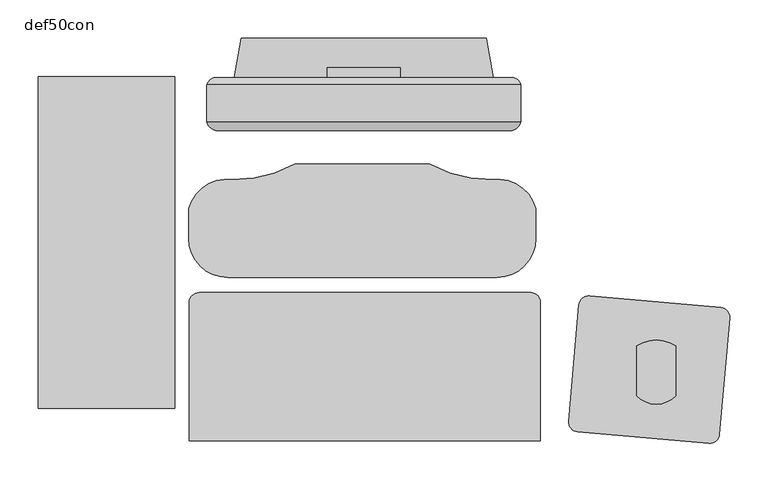
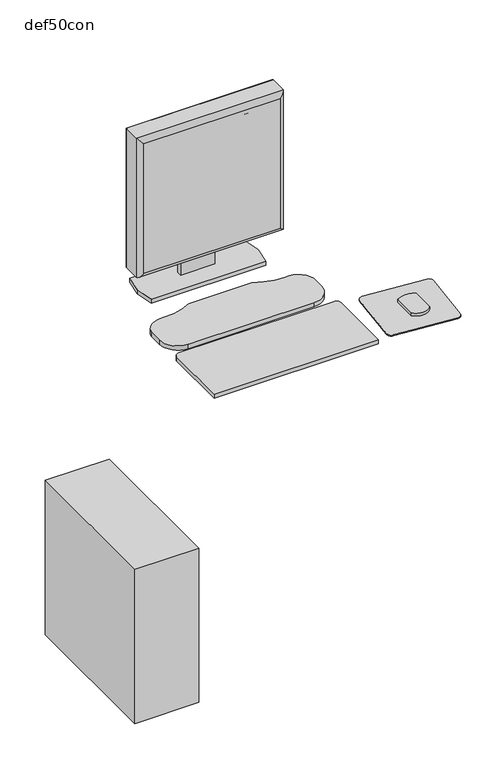
"""IFC4 building model written with IfcOpenShell, lengths in millimetres: proxy geometry, def50con."""

from ifc_helpers import new_model, si_unit, point, frame, frame_2d, origin, origin_with_axes, place, context, project, spatial, polyline, circle_curve, ellipse_curve, trimmed, segment, composite_curve, outline, extrude, source, transform, mapped, element, save
from ifc_brep_helpers import plane_surface, cylinder_surface, advanced_brep


def def50con_89d491c5(model_context):
    return source(origin(), model_context, "Body", "SolidModel", [
        advanced_brep(
        [(-204.47, -124.2463034, 1419.86), (-204.47, -167.376984, 1419.86), (-204.47, -172.3740268, 1419.86), (204.47, -172.3740268, 1419.86), (204.47, -167.376984, 1419.86), (204.47, -124.2463034, 1419.86), (204.47, -124.2463034, 1010.2963264), (204.47, -167.376984, 1010.2963264), (204.47, -172.3740268, 1010.2963264), (-204.47, -172.3740268, 1010.2963264), (-204.47, -167.376984, 1010.2963264), (-204.47, -124.2463034, 1010.2963264), (-195.232364, -115.0086674, 1019.5339624), (-195.232364, -115.0086674, 1410.622364), (195.232364, -115.0086674, 1410.622364), (195.232364, -115.0086674, 1019.5339624), (-190.3058394, -184.2583443, 1405.694569), (-190.3058394, -184.2583443, 1024.4617574), (190.304569, -184.2583443, 1024.460487), (190.3058394, -184.2583443, 1405.694569)],
        [
            (0, 1),
            (1, 2),
            (2, 3),
            (3, 4),
            (4, 5),
            (5, 0),
            (6, 7),
            (7, 8),
            (8, 9),
            (9, 10),
            (10, 11),
            (11, 6),
            (12, 13),
            (13, 14),
            (14, 15),
            (15, 12),
            (0, 11),
            (9, 2),
            (16, 17),
            (17, 18),
            (18, 19),
            (19, 16),
            (3, 8),
            (6, 5),
            (12, 11, ellipse_curve(frame((-188.3553117, -131.1233557, 1026.4110147), z_axis=(-0.7071067811865452, 0.0, 0.7071067811865498), x_axis=(-0.7071067811865498, 0.0, -0.7071067811865452)), 24.7780962, 17.5207599)),
            (0, 13, ellipse_curve(frame((-188.3553117, -131.1233557, 1403.7453117), z_axis=(-0.7071067811865498, 0.0, -0.7071067811865452), x_axis=(0.7071067811865452, 0.0, -0.7071067811865498)), 24.7780962, 17.5207599)),
            (16, 2, ellipse_curve(frame((-190.3058394, -169.8755054, 1405.6958394), z_axis=(-0.7071067811865498, 0.0, -0.7071067811865452), x_axis=(0.7071067811865452, 0.0, -0.7071067811865498)), 20.3404059, 14.3828389)),
            (9, 17, ellipse_curve(frame((-190.3058394, -169.8755054, 1024.460487), z_axis=(-0.7071067811865452, 0.0, 0.7071067811865498), x_axis=(-0.7071067811865498, 0.0, -0.7071067811865452)), 20.3404059, 14.3828389)),
            (15, 6, ellipse_curve(frame((188.3553117, -131.1233557, 1026.4110147), z_axis=(-0.7071067811865498, 0.0, -0.7071067811865452), x_axis=(0.7071067811865452, 0.0, -0.7071067811865497)), 24.7780962, 17.5207599)),
            (8, 18, ellipse_curve(frame((190.3058394, -169.8755054, 1024.460487), z_axis=(-0.7071067811865498, 0.0, -0.7071067811865452), x_axis=(0.7071067811865452, 0.0, -0.7071067811865497)), 20.3404059, 14.3828389)),
            (14, 5, ellipse_curve(frame((188.3553117, -131.1233557, 1403.7453117), z_axis=(0.7071067811865452, 0.0, -0.7071067811865498), x_axis=(0.7071067811865498, 0.0, 0.7071067811865452)), 24.7780962, 17.5207599)),
            (3, 19, ellipse_curve(frame((190.3058394, -169.8755054, 1405.6958394), z_axis=(0.7071067811865452, 0.0, -0.7071067811865498), x_axis=(0.7071067811865498, 0.0, 0.7071067811865452)), 20.3404059, 14.3828389)),
        ],
        [
            plane_surface(frame((-199.39, -115.0086674, 1419.86), z_axis=(0.0, 0.0, 1.0), x_axis=(-1.0, 0.0, 0.0))),
            plane_surface(frame((-199.39, -115.0086674, 1010.2963264), z_axis=(0.0, 0.0, -1.0), x_axis=(1.0, 0.0, 0.0))),
            plane_surface(frame((204.47, -115.0086674, 1419.86), z_axis=(0.0, 1.0, 0.0), x_axis=(0.0, 0.0, -1.0))),
            plane_surface(frame((-204.47, -115.0086674, 1419.86), z_axis=(-1.0, 0.0, 0.0), x_axis=(0.0, 0.0, -1.0))),
            plane_surface(frame((-204.47, -184.2583443, 1419.86), z_axis=(0.0, -1.0, 0.0), x_axis=(0.0, 0.0, -1.0))),
            plane_surface(frame((204.47, -184.2583443, 1419.86), z_axis=(1.0, 0.0, 0.0), x_axis=(0.0, 0.0, -1.0))),
            cylinder_surface(frame((-188.3553117, -131.1233557, 1419.86), z_axis=(0.0, 0.0, -1.0), x_axis=(0.0, 1.0, 0.0)), 17.5207599),
            cylinder_surface(frame((-190.3058394, -169.8755054, 1419.86), z_axis=(0.0, 0.0, -1.0), x_axis=(0.0, 1.0, 0.0)), 14.3828389),
            cylinder_surface(frame((-204.47, -131.1233557, 1026.4110147), z_axis=(1.0, 0.0, 0.0), x_axis=(0.0, 1.0, 0.0)), 17.5207599),
            cylinder_surface(frame((-204.47, -169.8755054, 1024.460487), z_axis=(1.0, 0.0, 0.0), x_axis=(0.0, 1.0, 0.0)), 14.3828389),
            cylinder_surface(frame((188.3553117, -131.1233557, 1010.2963264), z_axis=(0.0, 0.0, 1.0), x_axis=(0.0, 1.0, 0.0)), 17.5207599),
            cylinder_surface(frame((190.3058394, -169.8755054, 1010.2963264), z_axis=(0.0, 0.0, 1.0), x_axis=(0.0, 1.0, 0.0)), 14.3828389),
            cylinder_surface(frame((204.47, -131.1233557, 1403.7453117), z_axis=(-1.0, 0.0, 0.0), x_axis=(0.0, 1.0, 0.0)), 17.5207599),
            cylinder_surface(frame((204.47, -169.8755054, 1405.6958394), z_axis=(-1.0, 0.0, 0.0), x_axis=(0.0, 1.0, 0.0)), 14.3828389),
        ],
        [
            (0, [[1, 2, 3, 4, 5, 6]]),
            (1, [[7, 8, 9, 10, 11, 12]]),
            (2, [[13, 14, 15, 16]]),
            (3, [[-1, 17, -11, -10, 18, -2]]),
            (4, [[19, 20, 21, 22]]),
            (5, [[-5, -4, 23, -8, -7, 24]]),
            (6, [[25, -17, 26, -13]]),
            (7, [[27, -18, 28, -19]]),
            (8, [[-25, -16, 29, -12]]),
            (9, [[30, -20, -28, -9]]),
            (10, [[-29, -15, 31, -24]]),
            (11, [[32, -21, -30, -23]]),
            (12, [[-26, -6, -31, -14]]),
            (13, [[-27, -22, -32, -3]]),
        ],
    ),
        extrude(outline(polyline([(-179.07, -178.3445652), (179.07, -178.3445652), (179.07, -184.2583443), (-179.07, -184.2583443), (-179.07, -178.3445652)])), frame((0.0, 0.0, 1035.6963264), z_axis=(0.0, 0.0, 1.0), x_axis=(1.0, 0.0, 0.0)), (0.0, 0.0, 1.0), 358.7636736),
        extrude(outline(polyline([(-115.0086674, 1236.2794056), (-102.3274962, 1236.2794056), (-102.3274962, 926.6153731), (-115.0086674, 926.6153731), (-115.0086674, 1006.8339624), (-112.271435, 1006.8339624), (-112.271435, 1019.5339624), (-115.0086674, 1019.5339624), (-115.0086674, 1236.2794056)])), frame((-47.625, 0.0, 0.0), z_axis=(1.0, 0.0, 0.0), x_axis=(0.0, 1.0, 0.0)), (0.0, 0.0, 1.0), 95.25),
        extrude(outline(polyline([(-423.7832181, -545.7635666), (-423.7832181, -113.9635666), (-245.9832181, -113.9635666), (-245.9832181, -545.7635666), (-423.7832181, -545.7635666)])), origin_with_axes(), (0.0, 0.0, 1.0), 454.66),
        extrude(outline(composite_curve([segment(trimmed(circle_curve(frame_2d((-177.356964, -324.6620062)), 50.8), [point((-177.356964, -375.4620062))], [point((-228.156964, -324.6620062))], False, "CARTESIAN"), True, "CONTINUOUS"), segment(polyline([(-228.156964, -324.6620062), (-228.156964, -285.8373535)]), True, "CONTINUOUS"), segment(trimmed(circle_curve(frame_2d((-178.1602536, -299.2670925)), 51.7689959), [point((-228.156964, -285.8373535))], [point((-171.1253454, -247.978312))], False, "CARTESIAN"), True, "CONTINUOUS"), segment(trimmed(circle_curve(frame_2d((-167.1534369, -92.9905405)), 155.0386577), [point((-171.1253454, -247.978312))], [point((-90.2428611, -227.6075852))], True, "CARTESIAN"), True, "CONTINUOUS"), segment(trimmed(circle_curve(frame_2d((-2.096964, -1079.978299)), 856.9162929), [point((-90.2428611, -227.6075852))], [point((86.0489332, -227.6075852))], False, "CARTESIAN"), True, "CONTINUOUS"), segment(trimmed(circle_curve(frame_2d((162.9595089, -92.9905405)), 155.0386577), [point((86.0489332, -227.6075852))], [point((166.9314175, -247.978312))], True, "CARTESIAN"), True, "CONTINUOUS"), segment(trimmed(circle_curve(frame_2d((173.9663257, -299.2670925)), 51.7689959), [point((166.9314175, -247.978312))], [point((223.963036, -285.8373535))], False, "CARTESIAN"), True, "CONTINUOUS"), segment(polyline([(223.963036, -285.8373535), (223.963036, -324.6620062)]), True, "CONTINUOUS"), segment(trimmed(circle_curve(frame_2d((173.163036, -324.6620062)), 50.8), [point((223.963036, -324.6620062))], [point((173.163036, -375.4620062))], False, "CARTESIAN"), True, "CONTINUOUS"), segment(polyline([(173.163036, -375.4620062), (-177.356964, -375.4620062)]), True, "CONTINUOUS")], self_intersect=False)), frame((0.0, 0.0, 914.4), z_axis=(0.0, 0.0, 1.0), x_axis=(1.0, 0.0, 0.0)), (0.0, 0.0, 1.0), 12.2153731),
        extrude(outline(composite_curve([segment(trimmed(circle_curve(frame_2d((292.6903477, -412.2674032)), 12.7), [point((280.0386751, -411.1605253))], [point((293.7972257, -399.6157305))], False, "CARTESIAN"), True, "CONTINUOUS"), segment(polyline([(293.7972257, -399.6157305), (464.5948067, -414.5585826)]), True, "CONTINUOUS"), segment(trimmed(circle_curve(frame_2d((463.4879287, -427.2102553)), 12.7), [point((464.5948067, -414.5585826))], [point((476.1396014, -428.3171332))], False, "CARTESIAN"), True, "CONTINUOUS"), segment(polyline([(476.1396014, -428.3171332), (462.8570662, -580.1372052)]), True, "CONTINUOUS"), segment(trimmed(circle_curve(frame_2d((450.2053935, -579.0303273)), 12.7), [point((462.8570662, -580.1372052))], [point((449.0985156, -591.682))], False, "CARTESIAN"), True, "CONTINUOUS"), segment(polyline([(449.0985156, -591.682), (278.3009346, -576.7391479)]), True, "CONTINUOUS"), segment(trimmed(circle_curve(frame_2d((279.4078125, -564.0874752)), 12.7), [point((278.3009346, -576.7391479))], [point((266.7561399, -562.9805973))], False, "CARTESIAN"), True, "CONTINUOUS"), segment(polyline([(266.7561399, -562.9805973), (280.0386751, -411.1605253)]), True, "CONTINUOUS")], self_intersect=False)), frame((0.0, 0.0, 914.4), z_axis=(0.0, 0.0, 1.0), x_axis=(1.0, 0.0, 0.0)), (0.0, 0.0, 1.0), 2.9133962),
        extrude(outline(composite_curve([segment(trimmed(circle_curve(frame_2d((380.6330321, -505.1240312)), 35.5491443), [point((406.0330321, -529.9953331))], [point((355.2330321, -529.9953331))], False, "CARTESIAN"), True, "CONTINUOUS"), segment(polyline([(355.2330321, -529.9953331), (355.2330321, -464.6999864)]), True, "CONTINUOUS"), segment(trimmed(circle_curve(frame_2d((380.6330321, -502.8773995)), 45.8549329), [point((355.2330321, -464.6999864))], [point((406.0330321, -464.6999864))], False, "CARTESIAN"), True, "CONTINUOUS"), segment(polyline([(406.0330321, -464.6999864), (406.0330321, -529.9953331)]), True, "CONTINUOUS")], self_intersect=False)), frame((0.0, 0.0, 917.3133962), z_axis=(0.0, 0.0, 1.0), x_axis=(1.0, 0.0, 0.0)), (0.0, 0.0, 1.0), 9.3019768),
        extrude(outline(polyline([(-168.656, -115.0086674), (-159.512, -63.9546674), (159.512, -63.9546674), (168.656, -115.0086674), (159.512, -166.0626674), (-159.512, -166.0626674), (-168.656, -115.0086674)])), frame((0.0, 0.0, 914.4), z_axis=(0.0, 0.0, 1.0), x_axis=(1.0, 0.0, 0.0)), (0.0, 0.0, 1.0), 12.2153731),
        extrude(outline(composite_curve([segment(trimmed(circle_curve(frame_2d((-214.6840483, -408.0273624)), 12.7), [point((-227.3840483, -408.0273624))], [point((-214.6840483, -395.3273624))], False, "CARTESIAN"), True, "CONTINUOUS"), segment(polyline([(-214.6840483, -395.3273624), (217.1159517, -395.3273624)]), True, "CONTINUOUS"), segment(trimmed(circle_curve(frame_2d((217.1159517, -408.0273624)), 12.7), [point((217.1159517, -395.3273624))], [point((229.8159517, -408.0273624))], False, "CARTESIAN"), True, "CONTINUOUS"), segment(polyline([(229.8159517, -408.0273624), (229.8159517, -588.0982375)]), True, "CONTINUOUS"), segment(trimmed(circle_curve(frame_2d((1.2159517, 1712.1560796)), 2311.5855777), [point((229.8159517, -588.0982375))], [point((-227.3840483, -588.0982375))], False, "CARTESIAN"), True, "CONTINUOUS"), segment(polyline([(-227.3840483, -588.0982375), (-227.3840483, -408.0273624)]), True, "CONTINUOUS")], self_intersect=False)), frame((0.0, 0.0, 914.4), z_axis=(0.0, 0.0, 1.0), x_axis=(1.0, 0.0, 0.0)), (0.0, 0.0, 1.0), 12.2153731),
    ])


if __name__ == "__main__":
    model = new_model("IFC4")
    model_context = context("Model", 3, world=origin())
    ifc_project = project(units=[si_unit("LENGTHUNIT", "METRE", prefix="MILLI")], contexts=[model_context])
    site = spatial("IfcSite", under=ifc_project)
    building = spatial("IfcBuilding", under=site)
    placement = place(None, origin())
    def50con_shape = def50con_89d491c5(model_context)
    element("IfcBuildingElementProxy", 1, Name="def50con", ObjectType="def50con", at=placement, inside=building, context=model_context, shape_type="MappedRepresentation", body=[
        mapped(def50con_shape, transform((0.0, 0.0, 0.0), x_axis=(1.0, 0.0, 0.0), y_axis=(0.0, 1.0, 0.0), z_axis=(0.0, 0.0, 1.0))),
    ])
    save(model, "model.ifc")
